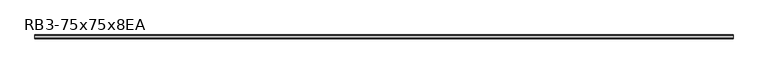
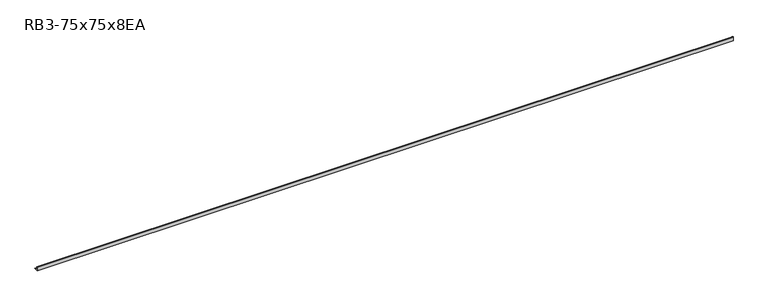
"""IFC4 building model written with IfcOpenShell, lengths in millimetres: member geometry, RB3-75x75x8EA."""

from ifc_helpers import new_model, si_unit, point, frame, frame_2d, origin, place, context, project, spatial, polyline, circle_curve, trimmed, segment, composite_curve, outline, extrude, source, transform, mapped, element, save


def rb3_75x75x8ea_2b928ee2(model_context):
    return source(origin(), model_context, "Body", "SweptSolid", [
        extrude(outline(composite_curve([segment(polyline([(-21.3, -21.3), (-21.3, 53.7), (-18.3, 53.7)]), True, "CONTINUOUS"), segment(trimmed(circle_curve(frame_2d((-18.3, 48.7)), 5.0), [point((-18.3, 53.7))], [point((-13.3, 48.7))], False, "CARTESIAN"), True, "CONTINUOUS"), segment(polyline([(-13.3, 48.7), (-13.3, -5.3)]), True, "CONTINUOUS"), segment(trimmed(circle_curve(frame_2d((-5.3, -5.3)), 8.0), [point((-13.3, -5.3))], [point((-5.3, -13.3))], True, "CARTESIAN"), True, "CONTINUOUS"), segment(polyline([(-5.3, -13.3), (48.7, -13.3)]), True, "CONTINUOUS"), segment(trimmed(circle_curve(frame_2d((48.7, -18.3)), 5.0), [point((48.7, -13.3))], [point((53.7, -18.3))], False, "CARTESIAN"), True, "CONTINUOUS"), segment(polyline([(53.7, -18.3), (53.7, -21.3), (-21.3, -21.3)]), True, "CONTINUOUS")], self_intersect=False)), frame((-6998.5, 0.0, 0.0), z_axis=(1.0, 0.0, 0.0), x_axis=(0.0, 1.0, 0.0)), (0.0, 0.0, 1.0), 13854.0),
    ])


if __name__ == "__main__":
    model = new_model("IFC4")
    model_context = context("Model", 3, world=origin())
    ifc_project = project(units=[si_unit("LENGTHUNIT", "METRE", prefix="MILLI")], contexts=[model_context])
    site = spatial("IfcSite", under=ifc_project)
    building = spatial("IfcBuilding", under=site)
    placement = place(None, origin())
    rb3_75x75x8ea_shape = rb3_75x75x8ea_2b928ee2(model_context)
    element("IfcMember", 1, ObjectType="RB3-75x75x8EA", at=placement, inside=building, context=model_context, shape_type="MappedRepresentation", body=[
        mapped(rb3_75x75x8ea_shape, transform((0.0, 0.0, 0.0), x_axis=(1.0, 0.0, 0.0), y_axis=(0.0, 1.0, 0.0), z_axis=(0.0, 0.0, 1.0))),
    ])
    save(model, "model.ifc")
